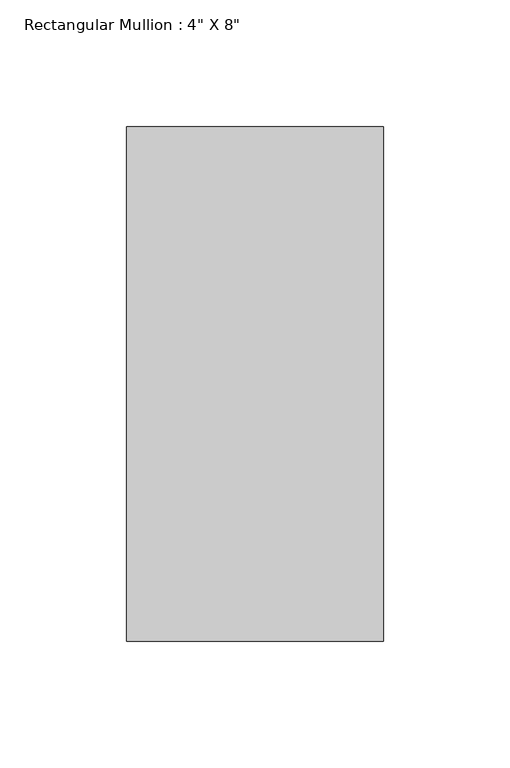
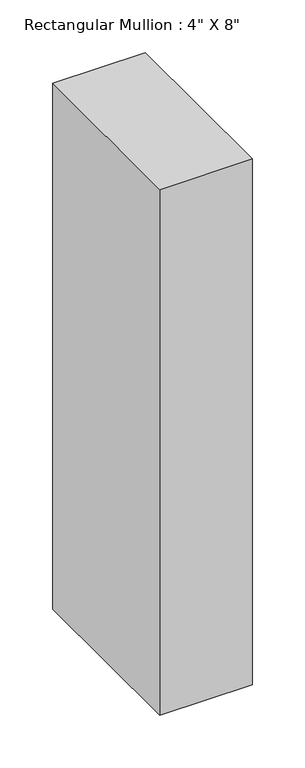
"""IFC4 building model written with IfcOpenShell, lengths in millimetres: member geometry."""

from ifc_helpers import new_model, si_unit, frame, origin, place, context, project, spatial, polyline, outline, extrude, source, transform, mapped, element, save


def member_5e2af840(model_context):
    return source(origin(), model_context, "Body", "SweptSolid", [
        extrude(outline(polyline([(50.8, 139.7), (50.8, -63.5), (-50.8, -63.5), (-50.8, 139.7), (50.8, 139.7)])), frame((0.0, 0.0, -609.6), z_axis=(0.0, 0.0, 1.0), x_axis=(1.0, 0.0, 0.0)), (0.0, 0.0, 1.0), 609.6),
    ])


if __name__ == "__main__":
    model = new_model("IFC4")
    model_context = context("Model", 3, world=origin())
    ifc_project = project(units=[si_unit("LENGTHUNIT", "METRE", prefix="MILLI")], contexts=[model_context])
    site = spatial("IfcSite", under=ifc_project)
    building = spatial("IfcBuilding", under=site)
    placement = place(None, origin())
    member_shape = member_5e2af840(model_context)
    element("IfcMember", 1, ObjectType="Rectangular Mullion : 4\" X 8\"", at=placement, inside=building, context=model_context, shape_type="MappedRepresentation", body=[
        mapped(member_shape, transform((0.0, 0.0, 0.0), x_axis=(1.0, 0.0, 0.0), y_axis=(0.0, 1.0, 0.0), z_axis=(0.0, 0.0, 1.0))),
    ])
    save(model, "model.ifc")
